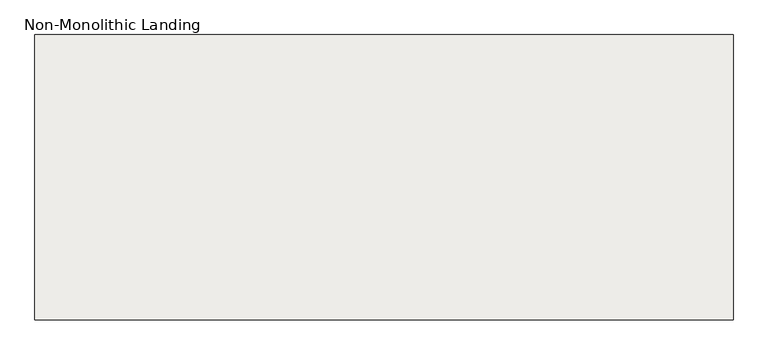
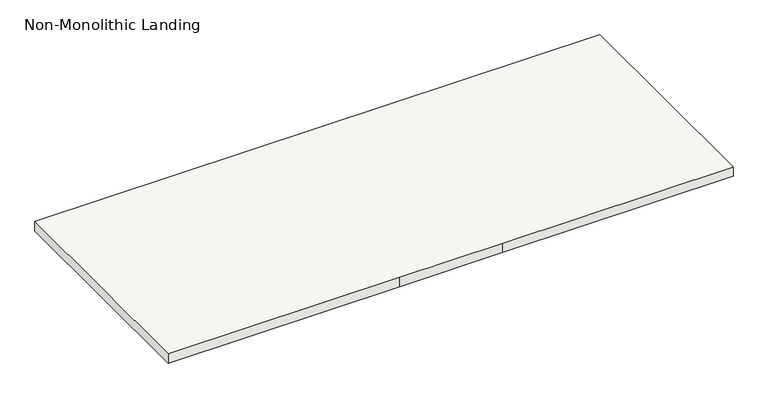
"""IFC4 building model written with IfcOpenShell, lengths in millimetres: slab geometry, Non-Monolithic Landing."""

from ifc_helpers import new_model, si_unit, frame, origin, place, context, project, spatial, polyline, outline, extrude, source, transform, mapped, element, save


def non_monolithic_landing_0337dadb(model_context):
    return source(origin(), model_context, "Body", "SweptSolid", [
        extrude(outline(polyline([(-22618.8294643, 2827.8449078), (-22618.8294643, 4027.8449078), (-19682.9044643, 4027.8449078), (-19682.9044643, 2827.8449078), (-20882.9044643, 2827.8449078), (-21418.8294643, 2827.8449078), (-22618.8294643, 2827.8449078)])), frame((0.0, 0.0, 2768.9655172), z_axis=(0.0, 0.0, 1.0), x_axis=(1.0, 0.0, 0.0)), (0.0, 0.0, 1.0), 50.0),
    ])


if __name__ == "__main__":
    model = new_model("IFC4")
    model_context = context("Model", 3, world=origin())
    ifc_project = project(units=[si_unit("LENGTHUNIT", "METRE", prefix="MILLI")], contexts=[model_context])
    site = spatial("IfcSite", under=ifc_project)
    building = spatial("IfcBuilding", under=site)
    placement = place(None, origin())
    non_monolithic_landing_shape = non_monolithic_landing_0337dadb(model_context)
    element("IfcSlab", 1, ObjectType="Non-Monolithic Landing", at=placement, inside=building, context=model_context, shape_type="MappedRepresentation", body=[
        mapped(non_monolithic_landing_shape, transform((0.0, 0.0, 0.0), x_axis=(1.0, 0.0, 0.0), y_axis=(0.0, 1.0, 0.0), z_axis=(0.0, 0.0, 1.0))),
    ])
    save(model, "model.ifc")
